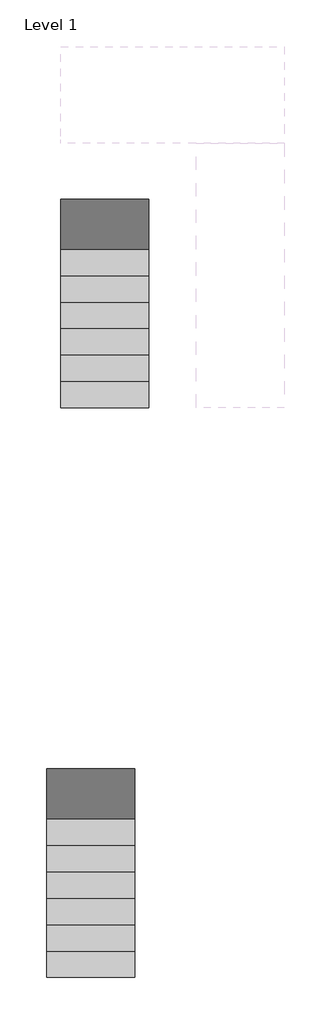
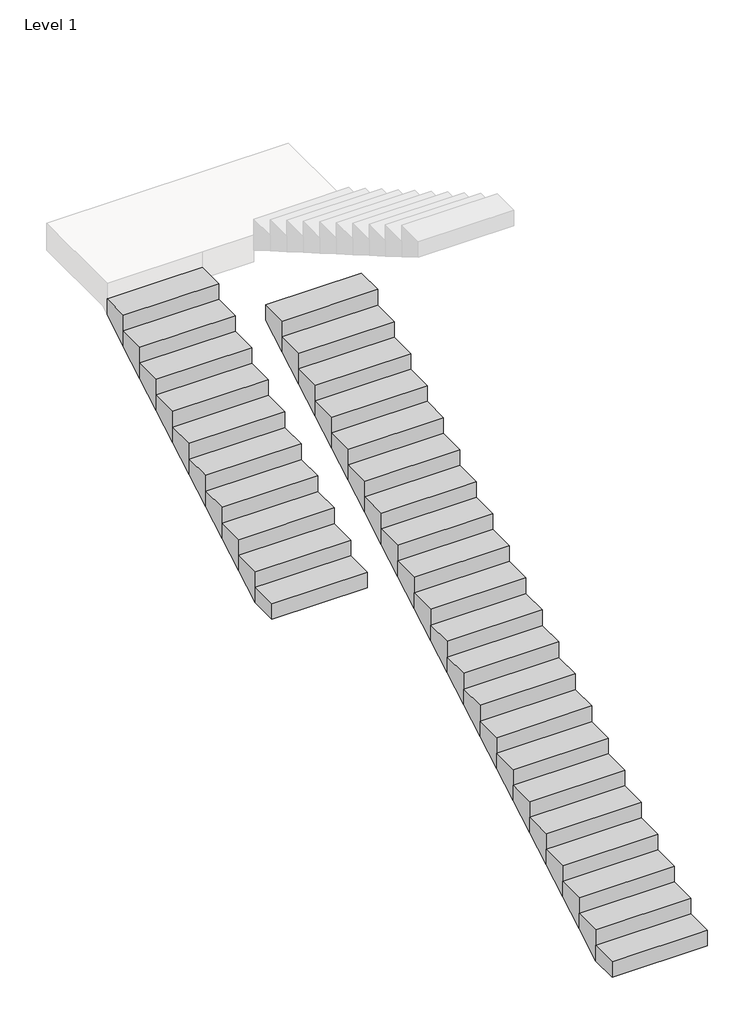
# One storey, part 8 of 11: 2 stair flights.
"""IFC4 building model written with IfcOpenShell, lengths in millimetres."""

import ifcopenshell
import ifcopenshell.guid

model = None  # the IFC model being written
_history = None  # IfcOwnerHistory: only IFC2X3 demands one
_inside = {}  # id of a spatial element -> (the spatial element, [elements in it])
_under = {}  # id of a project, library or spatial element -> (it, [spatial elements below it])
_declared = {}  # id of a project -> (the project, [libraries it declares])
_typed = {}  # id of a type object -> (the type object, [elements of that type])
_made_of = {}  # id of a material, layer set ... -> (it, [elements and type objects made of it])


def new_model(schema):
    """Start an empty IFC model of exactly this schema.

    Asked for "IFC4X3", IfcOpenShell would pick the latest addendum, in which some entities
    have other attributes; the version numbers below select the first issue.
    IFC2X3 requires an IfcOwnerHistory on every rooted entity: one is made here for all.
    """
    global model, _history
    if schema == "IFC4X3":
        model = ifcopenshell.file(schema_version=(4, 3, 0, 0))
    else:
        model = ifcopenshell.file(schema=schema)
    _inside.clear()
    _under.clear()
    _declared.clear()
    _typed.clear()
    _made_of.clear()
    _history = None
    if model.schema == "IFC2X3":
        org = make("IfcOrganization", Name="unknown")
        user = make(
            "IfcPersonAndOrganization",
            ThePerson=make("IfcPerson", FamilyName="unknown"),
            TheOrganization=org,
        )
        app = make(
            "IfcApplication",
            ApplicationDeveloper=org,
            Version="unknown",
            ApplicationFullName="unknown",
            ApplicationIdentifier="unknown",
        )
        _history = make(
            "IfcOwnerHistory",
            OwningUser=user,
            OwningApplication=app,
            ChangeAction="ADDED",
            CreationDate=0,
        )
    return model


def make(cls, **values):
    """One entity of the class cls with the attributes given. An attribute that is None is left unset."""
    return model.create_entity(
        cls, **{name: value for name, value in values.items() if value is not None}
    )


def rooted(cls, **values):
    """An entity with a GlobalId (a new one), such as an element, a storey or a relation."""
    return make(cls, GlobalId=ifcopenshell.guid.new(), OwnerHistory=_history, **values)


def si_unit(unit_type, name, prefix=None):
    """IfcSIUnit, for example si_unit("LENGTHUNIT", "METRE", prefix="MILLI")."""
    return make("IfcSIUnit", UnitType=unit_type, Prefix=prefix, Name=name)


def assignment(units):
    """IfcUnitAssignment: the units of a project."""
    return None if units is None else make("IfcUnitAssignment", Units=units)


def point(xyz):
    """IfcCartesianPoint."""
    return None if xyz is None else make("IfcCartesianPoint", Coordinates=xyz)


def direction(xyz):
    """IfcDirection."""
    return None if xyz is None else make("IfcDirection", DirectionRatios=xyz)


def frame(location, z_axis=None, x_axis=None):
    """IfcAxis2Placement3D, a coordinate frame: its origin and axes. An axis left out is left unset."""
    return make(
        "IfcAxis2Placement3D",
        Location=point(location),
        Axis=direction(z_axis),
        RefDirection=direction(x_axis),
    )


def origin():
    """The frame at (0, 0, 0) with its axes left unset."""
    return frame((0.0, 0.0, 0.0))


def place(relative_to, where):
    """IfcLocalPlacement: puts the frame where relative to a parent placement (None: the world)."""
    return make(
        "IfcLocalPlacement", PlacementRelTo=relative_to, RelativePlacement=where
    )


def context(
    kind, dimensions, precision=None, world=None, true_north=None, identifier=None
):
    """IfcGeometricRepresentationContext, for example the 3D "Model" context."""
    return make(
        "IfcGeometricRepresentationContext",
        ContextIdentifier=identifier,
        ContextType=kind,
        CoordinateSpaceDimension=dimensions,
        Precision=precision,
        WorldCoordinateSystem=world,
        TrueNorth=true_north,
    )


def project(units=None, contexts=None):
    """IfcProject with its units and contexts."""
    return rooted(
        "IfcProject",
        Name="project",
        RepresentationContexts=contexts,
        UnitsInContext=assignment(units),
    )


def spatial(cls, under=None, at=None, **own):
    """A site, building, storey or space (cls), placed at a placement, below another one or the project."""
    s = rooted(cls, ObjectPlacement=at, **own)
    if under is not None:
        _under.setdefault(under.id(), (under, []))[1].append(s)
    return s


def faces_of(points, faces, orient=None, outer=None):
    """IfcFace entities. A face is a list of loops; a loop is a list of indices into points, from 0.

    orient and outer hold one flag for each loop. By default every Orientation is true, the
    first loop of a face is its IfcFaceOuterBound and the others are IfcFaceBound.
    """
    made = []
    for i, loops in enumerate(faces):
        bounds = []
        for j, loop in enumerate(loops):
            is_outer = j == 0 if outer is None else outer[i][j]
            bounds.append(
                make(
                    "IfcFaceOuterBound" if is_outer else "IfcFaceBound",
                    Bound=make("IfcPolyLoop", Polygon=[points[k] for k in loop]),
                    Orientation=True if orient is None else orient[i][j],
                )
            )
        made.append(make("IfcFace", Bounds=bounds))
    return made


def faceted_brep(points, faces, orient=None, outer=None, voids=None):
    """IfcFacetedBrep: a solid bounded by flat faces; with voids (closed shells), ...WithVoids."""
    shared = [point(p) for p in points]
    hull = make("IfcClosedShell", CfsFaces=faces_of(shared, faces, orient, outer))
    if voids is None:
        return make("IfcFacetedBrep", Outer=hull)
    return make(
        "IfcFacetedBrepWithVoids",
        Outer=hull,
        Voids=[
            make(cls, CfsFaces=faces_of(shared, fs, o, b)) for cls, fs, o, b in voids
        ],
    )


def shape(context_of_items, identifier, shape_type, items):
    """IfcShapeRepresentation: the items that make up one representation, for example the "Body"."""
    return make(
        "IfcShapeRepresentation",
        ContextOfItems=context_of_items,
        RepresentationIdentifier=identifier,
        RepresentationType=shape_type,
        Items=items,
    )


def made_of(thing, what):
    """Note that an element or type object is made of a material, layer set ...; save() writes the relation."""
    if what is not None:
        _made_of.setdefault(what.id(), (what, []))[1].append(thing)
    return thing


def element(
    cls,
    number,
    at=None,
    inside=None,
    cuts=None,
    type_object=None,
    material=None,
    context=None,
    identifier="Body",
    shape_type=None,
    held_by="IfcProductDefinitionShape",
    body=None,
    shapes=None,
    **own,
):
    """One element of the class cls, such as IfcWall. Its Tag is "e" and its number.

    at: its placement. inside: the storey or other place that contains it. cuts: it is an
    opening in that element (IfcRelVoidsElement). A single representation is given by context,
    identifier, shape_type and body (its items); several are given by shapes. held_by: the class
    of the entity that holds the representations. save() writes the other relations.
    """
    e = rooted(cls, Tag="e%d" % number, ObjectPlacement=at, **own)
    if body is not None:
        shapes = [shape(context, identifier, shape_type, body)]
    if shapes is not None:
        e.Representation = make(held_by, Representations=shapes)
    if inside is not None:
        _inside.setdefault(inside.id(), (inside, []))[1].append(e)
    if cuts is not None:
        rooted(
            "IfcRelVoidsElement", RelatingBuildingElement=cuts, RelatedOpeningElement=e
        )
    if type_object is not None:
        _typed.setdefault(type_object.id(), (type_object, []))[1].append(e)
    return made_of(e, material)


def aggregate(whole, parts):
    """IfcRelAggregates: a whole, such as a stair, and the parts it consists of."""
    return rooted("IfcRelAggregates", RelatingObject=whole, RelatedObjects=parts)


def save(model, path):
    """Write the relations noted so far, then the file.

    IfcRelAggregates (storeys below a building ...), IfcRelContainedInSpatialStructure (elements
    in a storey), IfcRelDefinesByType, IfcRelAssociatesMaterial and IfcRelDeclares: one each for
    every whole, place, type object, material and project.
    """
    for whole, parts in _under.values():
        aggregate(whole, parts)
    for where, things in _inside.values():
        rooted(
            "IfcRelContainedInSpatialStructure",
            RelatedElements=things,
            RelatingStructure=where,
        )
    for kind, things in _typed.values():
        rooted("IfcRelDefinesByType", RelatedObjects=things, RelatingType=kind)
    for what, things in _made_of.values():
        rooted("IfcRelAssociatesMaterial", RelatedObjects=things, RelatingMaterial=what)
    for by, libraries in _declared.values():
        rooted("IfcRelDeclares", RelatingContext=by, RelatedDefinitions=libraries)
    model.write(path)


model = new_model("IFC4")

# Units and contexts
model_context = context("Model", 3, world=origin())
ifc_project = project(units=[si_unit("LENGTHUNIT", "METRE", prefix="MILLI")], contexts=[model_context])

# Site, building, storey
site = spatial("IfcSite", under=ifc_project)
building = spatial("IfcBuilding", under=site)
storey = spatial("IfcBuildingStorey", under=building, Name="Level 1", Elevation=0.0)

# Stair flights
placement = place(None, origin())
element("IfcStairFlight", 1, at=placement, inside=storey, context=model_context, shape_type="Brep", body=[
    faceted_brep([(-17189.3694741, -31563.9305034, 173.9130435), (-17189.3694741, -31863.9305034, 173.9130435), (-16189.3694741, -31863.9305034, 173.9130435), (-16189.3694741, -31563.9305034, 173.9130435), (-17189.3694741, -31563.9305034, 0.530701), (-17189.3694741, -31564.8459626, 0.0), (-17189.3694741, -31863.9305034, 0.0), (-16189.3694741, -31863.9305034, 0.0), (-16189.3694741, -31564.8459626, 0.0), (-16189.3694741, -31563.9305034, 0.530701), (-17189.3694741, -31263.9305034, 347.826087), (-17189.3694741, -31563.9305034, 347.826087), (-16189.3694741, -31563.9305034, 347.826087), (-16189.3694741, -31263.9305034, 347.826087), (-17189.3694741, -31263.9305034, 174.4437445), (-16189.3694741, -31263.9305034, 174.4437445), (-17189.3694741, -30963.9305034, 521.7391304), (-17189.3694741, -31263.9305034, 521.7391304), (-16189.3694741, -31263.9305034, 521.7391304), (-16189.3694741, -30963.9305034, 521.7391304), (-17189.3694741, -30963.9305034, 348.356788), (-16189.3694741, -30963.9305034, 348.356788), (-17189.3694741, -30663.9305034, 695.6521739), (-17189.3694741, -30963.9305034, 695.6521739), (-16189.3694741, -30963.9305034, 695.6521739), (-16189.3694741, -30663.9305034, 695.6521739), (-17189.3694741, -30663.9305034, 522.2698315), (-16189.3694741, -30663.9305034, 522.2698315), (-17189.3694741, -30363.9305034, 869.5652174), (-17189.3694741, -30663.9305034, 869.5652174), (-16189.3694741, -30663.9305034, 869.5652174), (-16189.3694741, -30363.9305034, 869.5652174), (-17189.3694741, -30363.9305034, 696.1828749), (-16189.3694741, -30363.9305034, 696.1828749), (-17189.3694741, -30063.9305034, 1043.4782609), (-17189.3694741, -30363.9305034, 1043.4782609), (-16189.3694741, -30363.9305034, 1043.4782609), (-16189.3694741, -30063.9305034, 1043.4782609), (-17189.3694741, -30063.9305034, 870.0959184), (-16189.3694741, -30063.9305034, 870.0959184), (-17189.3694741, -29763.9305034, 1217.3913043), (-17189.3694741, -30063.9305034, 1217.3913043), (-16189.3694741, -30063.9305034, 1217.3913043), (-16189.3694741, -29763.9305034, 1217.3913043), (-17189.3694741, -29763.9305034, 1044.0089619), (-16189.3694741, -29763.9305034, 1044.0089619), (-17189.3694741, -29463.9305034, 1391.3043478), (-17189.3694741, -29763.9305034, 1391.3043478), (-16189.3694741, -29763.9305034, 1391.3043478), (-16189.3694741, -29463.9305034, 1391.3043478), (-17189.3694741, -29463.9305034, 1217.9220054), (-16189.3694741, -29463.9305034, 1217.9220054), (-17189.3694741, -29163.9305034, 1565.2173913), (-17189.3694741, -29463.9305034, 1565.2173913), (-16189.3694741, -29463.9305034, 1565.2173913), (-16189.3694741, -29163.9305034, 1565.2173913), (-17189.3694741, -29163.9305034, 1391.8350489), (-16189.3694741, -29163.9305034, 1391.8350489), (-17189.3694741, -28863.9305034, 1739.1304348), (-17189.3694741, -29163.9305034, 1739.1304348), (-16189.3694741, -29163.9305034, 1739.1304348), (-16189.3694741, -28863.9305034, 1739.1304348), (-17189.3694741, -28863.9305034, 1565.7480923), (-16189.3694741, -28863.9305034, 1565.7480923), (-17189.3694741, -28563.9305034, 1913.0434783), (-17189.3694741, -28863.9305034, 1913.0434783), (-16189.3694741, -28863.9305034, 1913.0434783), (-16189.3694741, -28563.9305034, 1913.0434783), (-17189.3694741, -28563.9305034, 1739.6611358), (-16189.3694741, -28563.9305034, 1739.6611358), (-17189.3694741, -28263.9305034, 2086.9565217), (-17189.3694741, -28563.9305034, 2086.9565217), (-16189.3694741, -28563.9305034, 2086.9565217), (-16189.3694741, -28263.9305034, 2086.9565217), (-17189.3694741, -28263.9305034, 1913.5741793), (-16189.3694741, -28263.9305034, 1913.5741793), (-17189.3694741, -27963.9305034, 2260.8695652), (-17189.3694741, -28263.9305034, 2260.8695652), (-16189.3694741, -28263.9305034, 2260.8695652), (-16189.3694741, -27963.9305034, 2260.8695652), (-17189.3694741, -27963.9305034, 2087.4872228), (-16189.3694741, -27963.9305034, 2087.4872228), (-17189.3694741, -27663.9305034, 2434.7826087), (-17189.3694741, -27963.9305034, 2434.7826087), (-16189.3694741, -27963.9305034, 2434.7826087), (-16189.3694741, -27663.9305034, 2434.7826087), (-17189.3694741, -27663.9305034, 2261.4002662), (-16189.3694741, -27663.9305034, 2261.4002662), (-17189.3694741, -27363.9305034, 2608.6956522), (-17189.3694741, -27663.9305034, 2608.6956522), (-16189.3694741, -27663.9305034, 2608.6956522), (-16189.3694741, -27363.9305034, 2608.6956522), (-17189.3694741, -27363.9305034, 2435.3133097), (-16189.3694741, -27363.9305034, 2435.3133097), (-17189.3694741, -27063.9305034, 2782.6086957), (-17189.3694741, -27363.9305034, 2782.6086957), (-16189.3694741, -27363.9305034, 2782.6086957), (-16189.3694741, -27063.9305034, 2782.6086957), (-17189.3694741, -27063.9305034, 2609.2263532), (-16189.3694741, -27063.9305034, 2609.2263532), (-17189.3694741, -26763.9305034, 2956.5217391), (-17189.3694741, -27063.9305034, 2956.5217391), (-16189.3694741, -27063.9305034, 2956.5217391), (-16189.3694741, -26763.9305034, 2956.5217391), (-17189.3694741, -26763.9305034, 2783.1393967), (-16189.3694741, -26763.9305034, 2783.1393967), (-17189.3694741, -26463.9305034, 3130.4347826), (-17189.3694741, -26763.9305034, 3130.4347826), (-16189.3694741, -26763.9305034, 3130.4347826), (-16189.3694741, -26463.9305034, 3130.4347826), (-17189.3694741, -26463.9305034, 2957.0524402), (-16189.3694741, -26463.9305034, 2957.0524402), (-17189.3694741, -26163.9305034, 3304.3478261), (-17189.3694741, -26463.9305034, 3304.3478261), (-16189.3694741, -26463.9305034, 3304.3478261), (-16189.3694741, -26163.9305034, 3304.3478261), (-17189.3694741, -26163.9305034, 3130.9654836), (-16189.3694741, -26163.9305034, 3130.9654836), (-17189.3694741, -25863.9305034, 3478.2608696), (-17189.3694741, -26163.9305034, 3478.2608696), (-16189.3694741, -26163.9305034, 3478.2608696), (-16189.3694741, -25863.9305034, 3478.2608696), (-17189.3694741, -25863.9305034, 3304.8785271), (-16189.3694741, -25863.9305034, 3304.8785271), (-17189.3694741, -25563.9305034, 3652.173913), (-17189.3694741, -25863.9305034, 3652.173913), (-16189.3694741, -25863.9305034, 3652.173913), (-16189.3694741, -25563.9305034, 3652.173913), (-17189.3694741, -25563.9305034, 3478.7915706), (-16189.3694741, -25563.9305034, 3478.7915706)], [[[0, 1, 2, 3]], [[1, 0, 4, 5, 6]], [[2, 1, 6, 7]], [[3, 2, 7, 8, 9]], [[10, 11, 12, 13]], [[11, 10, 14, 4, 0]], [[0, 3, 12, 11]], [[13, 12, 3, 9, 15]], [[16, 17, 18, 19]], [[17, 16, 20, 14, 10]], [[10, 13, 18, 17]], [[19, 18, 13, 15, 21]], [[22, 23, 24, 25]], [[23, 22, 26, 20, 16]], [[16, 19, 24, 23]], [[25, 24, 19, 21, 27]], [[28, 29, 30, 31]], [[29, 28, 32, 26, 22]], [[22, 25, 30, 29]], [[31, 30, 25, 27, 33]], [[34, 35, 36, 37]], [[35, 34, 38, 32, 28]], [[28, 31, 36, 35]], [[37, 36, 31, 33, 39]], [[40, 41, 42, 43]], [[41, 40, 44, 38, 34]], [[34, 37, 42, 41]], [[43, 42, 37, 39, 45]], [[46, 47, 48, 49]], [[47, 46, 50, 44, 40]], [[40, 43, 48, 47]], [[49, 48, 43, 45, 51]], [[52, 53, 54, 55]], [[53, 52, 56, 50, 46]], [[46, 49, 54, 53]], [[55, 54, 49, 51, 57]], [[58, 59, 60, 61]], [[59, 58, 62, 56, 52]], [[52, 55, 60, 59]], [[61, 60, 55, 57, 63]], [[64, 65, 66, 67]], [[65, 64, 68, 62, 58]], [[58, 61, 66, 65]], [[67, 66, 61, 63, 69]], [[70, 71, 72, 73]], [[71, 70, 74, 68, 64]], [[64, 67, 72, 71]], [[73, 72, 67, 69, 75]], [[76, 77, 78, 79]], [[77, 76, 80, 74, 70]], [[70, 73, 78, 77]], [[79, 78, 73, 75, 81]], [[82, 83, 84, 85]], [[83, 82, 86, 80, 76]], [[76, 79, 84, 83]], [[85, 84, 79, 81, 87]], [[88, 89, 90, 91]], [[89, 88, 92, 86, 82]], [[82, 85, 90, 89]], [[91, 90, 85, 87, 93]], [[94, 95, 96, 97]], [[95, 94, 98, 92, 88]], [[88, 91, 96, 95]], [[97, 96, 91, 93, 99]], [[100, 101, 102, 103]], [[101, 100, 104, 98, 94]], [[94, 97, 102, 101]], [[103, 102, 97, 99, 105]], [[106, 107, 108, 109]], [[107, 106, 110, 104, 100]], [[100, 103, 108, 107]], [[109, 108, 103, 105, 111]], [[112, 113, 114, 115]], [[113, 112, 116, 110, 106]], [[106, 109, 114, 113]], [[115, 114, 109, 111, 117]], [[118, 119, 120, 121]], [[119, 118, 122, 116, 112]], [[112, 115, 120, 119]], [[121, 120, 115, 117, 123]], [[124, 125, 126, 127]], [[125, 124, 128, 122, 118]], [[118, 121, 126, 125]], [[127, 126, 121, 123, 129]], [[124, 127, 129, 128]], [[7, 6, 5, 8]], [[8, 5, 4, 14, 20, 26, 32, 38, 44, 50, 56, 62, 68, 74, 80, 86, 92, 98, 104, 110, 116, 122, 128, 129, 123, 117, 111, 105, 99, 93, 87, 81, 75, 69, 63, 57, 51, 45, 39, 33, 27, 21, 15, 9]]]),
])
element("IfcStairFlight", 2, at=placement, inside=storey, context=model_context, shape_type="Brep", body=[
    faceted_brep([(-17029.168179, -25095.9384604, 173.9130435), (-17029.168179, -25395.9384604, 173.9130435), (-16029.168179, -25395.9384604, 173.9130435), (-16029.168179, -25095.9384604, 173.9130435), (-17029.168179, -25095.9384604, 0.530701), (-17029.168179, -25096.8539197, 0.0), (-17029.168179, -25395.9384604, 0.0), (-16029.168179, -25395.9384604, 0.0), (-16029.168179, -25096.8539197, 0.0), (-16029.168179, -25095.9384604, 0.530701), (-17029.168179, -24795.9384604, 347.826087), (-17029.168179, -25095.9384604, 347.826087), (-16029.168179, -25095.9384604, 347.826087), (-16029.168179, -24795.9384604, 347.826087), (-17029.168179, -24795.9384604, 174.4437445), (-16029.168179, -24795.9384604, 174.4437445), (-17029.168179, -24495.9384604, 521.7391304), (-17029.168179, -24795.9384604, 521.7391304), (-16029.168179, -24795.9384604, 521.7391304), (-16029.168179, -24495.9384604, 521.7391304), (-17029.168179, -24495.9384604, 348.356788), (-16029.168179, -24495.9384604, 348.356788), (-17029.168179, -24195.9384604, 695.6521739), (-17029.168179, -24495.9384604, 695.6521739), (-16029.168179, -24495.9384604, 695.6521739), (-16029.168179, -24195.9384604, 695.6521739), (-17029.168179, -24195.9384604, 522.2698315), (-16029.168179, -24195.9384604, 522.2698315), (-17029.168179, -23895.9384604, 869.5652174), (-17029.168179, -24195.9384604, 869.5652174), (-16029.168179, -24195.9384604, 869.5652174), (-16029.168179, -23895.9384604, 869.5652174), (-17029.168179, -23895.9384604, 696.1828749), (-16029.168179, -23895.9384604, 696.1828749), (-17029.168179, -23595.9384604, 1043.4782609), (-17029.168179, -23895.9384604, 1043.4782609), (-16029.168179, -23895.9384604, 1043.4782609), (-16029.168179, -23595.9384604, 1043.4782609), (-17029.168179, -23595.9384604, 870.0959184), (-16029.168179, -23595.9384604, 870.0959184), (-17029.168179, -23295.9384604, 1217.3913043), (-17029.168179, -23595.9384604, 1217.3913043), (-16029.168179, -23595.9384604, 1217.3913043), (-16029.168179, -23295.9384604, 1217.3913043), (-17029.168179, -23295.9384604, 1044.0089619), (-16029.168179, -23295.9384604, 1044.0089619), (-17029.168179, -22995.9384604, 1391.3043478), (-17029.168179, -23295.9384604, 1391.3043478), (-16029.168179, -23295.9384604, 1391.3043478), (-16029.168179, -22995.9384604, 1391.3043478), (-17029.168179, -22995.9384604, 1217.9220054), (-16029.168179, -22995.9384604, 1217.9220054), (-17029.168179, -22695.9384604, 1565.2173913), (-17029.168179, -22995.9384604, 1565.2173913), (-16029.168179, -22995.9384604, 1565.2173913), (-16029.168179, -22695.9384604, 1565.2173913), (-17029.168179, -22695.9384604, 1391.8350489), (-16029.168179, -22695.9384604, 1391.8350489), (-17029.168179, -22395.9384604, 1739.1304348), (-17029.168179, -22695.9384604, 1739.1304348), (-16029.168179, -22695.9384604, 1739.1304348), (-16029.168179, -22395.9384604, 1739.1304348), (-17029.168179, -22395.9384604, 1565.7480923), (-16029.168179, -22395.9384604, 1565.7480923), (-16029.168179, -22395.9384604, 1613.0434783)], [[[0, 1, 2, 3]], [[1, 0, 4, 5, 6]], [[2, 1, 6, 7]], [[3, 2, 7, 8, 9]], [[10, 11, 12, 13]], [[11, 10, 14, 4, 0]], [[0, 3, 12, 11]], [[13, 12, 3, 9, 15]], [[16, 17, 18, 19]], [[17, 16, 20, 14, 10]], [[10, 13, 18, 17]], [[19, 18, 13, 15, 21]], [[22, 23, 24, 25]], [[23, 22, 26, 20, 16]], [[16, 19, 24, 23]], [[25, 24, 19, 21, 27]], [[28, 29, 30, 31]], [[29, 28, 32, 26, 22]], [[22, 25, 30, 29]], [[31, 30, 25, 27, 33]], [[34, 35, 36, 37]], [[35, 34, 38, 32, 28]], [[28, 31, 36, 35]], [[37, 36, 31, 33, 39]], [[40, 41, 42, 43]], [[41, 40, 44, 38, 34]], [[34, 37, 42, 41]], [[43, 42, 37, 39, 45]], [[46, 47, 48, 49]], [[47, 46, 50, 44, 40]], [[40, 43, 48, 47]], [[49, 48, 43, 45, 51]], [[52, 53, 54, 55]], [[53, 52, 56, 50, 46]], [[46, 49, 54, 53]], [[55, 54, 49, 51, 57]], [[58, 59, 60, 61]], [[59, 58, 62, 56, 52]], [[52, 55, 60, 59]], [[61, 60, 55, 57, 63, 64]], [[58, 61, 64, 63, 62]], [[7, 6, 5, 8]], [[8, 5, 4, 14, 20, 26, 32, 38, 44, 50, 56, 62, 63, 57, 51, 45, 39, 33, 27, 21, 15, 9]]]),
])

save(model, "model.ifc")
